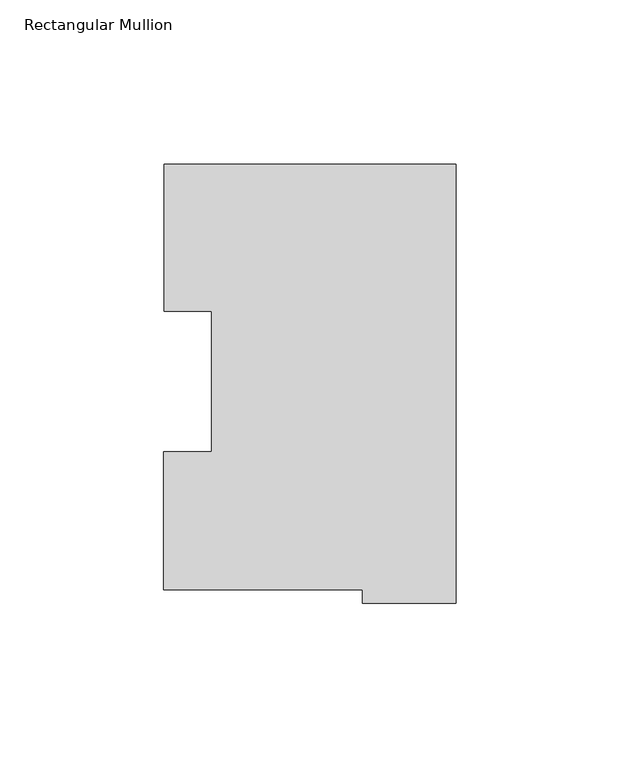
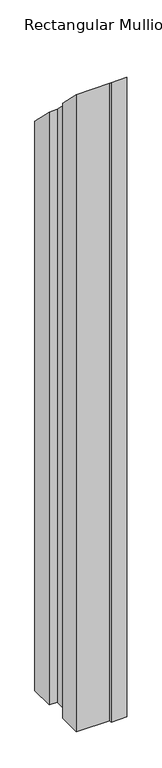
"""IFC4 building model written with IfcOpenShell, lengths in millimetres: member geometry, Rectangular Mullion."""

import ifcopenshell
import ifcopenshell.guid

model = None  # the IFC model being written
_history = None  # IfcOwnerHistory: only IFC2X3 demands one
_inside = {}  # id of a spatial element -> (the spatial element, [elements in it])
_under = {}  # id of a project, library or spatial element -> (it, [spatial elements below it])
_declared = {}  # id of a project -> (the project, [libraries it declares])
_typed = {}  # id of a type object -> (the type object, [elements of that type])
_made_of = {}  # id of a material, layer set ... -> (it, [elements and type objects made of it])


def new_model(schema):
    """Start an empty IFC model of exactly this schema.

    Asked for "IFC4X3", IfcOpenShell would pick the latest addendum, in which some entities
    have other attributes; the version numbers below select the first issue.
    IFC2X3 requires an IfcOwnerHistory on every rooted entity: one is made here for all.
    """
    global model, _history
    if schema == "IFC4X3":
        model = ifcopenshell.file(schema_version=(4, 3, 0, 0))
    else:
        model = ifcopenshell.file(schema=schema)
    _inside.clear()
    _under.clear()
    _declared.clear()
    _typed.clear()
    _made_of.clear()
    _history = None
    if model.schema == "IFC2X3":
        org = make("IfcOrganization", Name="unknown")
        user = make(
            "IfcPersonAndOrganization",
            ThePerson=make("IfcPerson", FamilyName="unknown"),
            TheOrganization=org,
        )
        app = make(
            "IfcApplication",
            ApplicationDeveloper=org,
            Version="unknown",
            ApplicationFullName="unknown",
            ApplicationIdentifier="unknown",
        )
        _history = make(
            "IfcOwnerHistory",
            OwningUser=user,
            OwningApplication=app,
            ChangeAction="ADDED",
            CreationDate=0,
        )
    return model


def make(cls, **values):
    """One entity of the class cls with the attributes given. An attribute that is None is left unset."""
    return model.create_entity(
        cls, **{name: value for name, value in values.items() if value is not None}
    )


def rooted(cls, **values):
    """An entity with a GlobalId (a new one), such as an element, a storey or a relation."""
    return make(cls, GlobalId=ifcopenshell.guid.new(), OwnerHistory=_history, **values)


def si_unit(unit_type, name, prefix=None):
    """IfcSIUnit, for example si_unit("LENGTHUNIT", "METRE", prefix="MILLI")."""
    return make("IfcSIUnit", UnitType=unit_type, Prefix=prefix, Name=name)


def assignment(units):
    """IfcUnitAssignment: the units of a project."""
    return None if units is None else make("IfcUnitAssignment", Units=units)


def point(xyz):
    """IfcCartesianPoint."""
    return None if xyz is None else make("IfcCartesianPoint", Coordinates=xyz)


def direction(xyz):
    """IfcDirection."""
    return None if xyz is None else make("IfcDirection", DirectionRatios=xyz)


def frame(location, z_axis=None, x_axis=None):
    """IfcAxis2Placement3D, a coordinate frame: its origin and axes. An axis left out is left unset."""
    return make(
        "IfcAxis2Placement3D",
        Location=point(location),
        Axis=direction(z_axis),
        RefDirection=direction(x_axis),
    )


def origin():
    """The frame at (0, 0, 0) with its axes left unset."""
    return frame((0.0, 0.0, 0.0))


def place(relative_to, where):
    """IfcLocalPlacement: puts the frame where relative to a parent placement (None: the world)."""
    return make(
        "IfcLocalPlacement", PlacementRelTo=relative_to, RelativePlacement=where
    )


def context(
    kind, dimensions, precision=None, world=None, true_north=None, identifier=None
):
    """IfcGeometricRepresentationContext, for example the 3D "Model" context."""
    return make(
        "IfcGeometricRepresentationContext",
        ContextIdentifier=identifier,
        ContextType=kind,
        CoordinateSpaceDimension=dimensions,
        Precision=precision,
        WorldCoordinateSystem=world,
        TrueNorth=true_north,
    )


def project(units=None, contexts=None):
    """IfcProject with its units and contexts."""
    return rooted(
        "IfcProject",
        Name="project",
        RepresentationContexts=contexts,
        UnitsInContext=assignment(units),
    )


def spatial(cls, under=None, at=None, **own):
    """A site, building, storey or space (cls), placed at a placement, below another one or the project."""
    s = rooted(cls, ObjectPlacement=at, **own)
    if under is not None:
        _under.setdefault(under.id(), (under, []))[1].append(s)
    return s


def faces_of(points, faces, orient=None, outer=None):
    """IfcFace entities. A face is a list of loops; a loop is a list of indices into points, from 0.

    orient and outer hold one flag for each loop. By default every Orientation is true, the
    first loop of a face is its IfcFaceOuterBound and the others are IfcFaceBound.
    """
    made = []
    for i, loops in enumerate(faces):
        bounds = []
        for j, loop in enumerate(loops):
            is_outer = j == 0 if outer is None else outer[i][j]
            bounds.append(
                make(
                    "IfcFaceOuterBound" if is_outer else "IfcFaceBound",
                    Bound=make("IfcPolyLoop", Polygon=[points[k] for k in loop]),
                    Orientation=True if orient is None else orient[i][j],
                )
            )
        made.append(make("IfcFace", Bounds=bounds))
    return made


def faceted_brep(points, faces, orient=None, outer=None, voids=None):
    """IfcFacetedBrep: a solid bounded by flat faces; with voids (closed shells), ...WithVoids."""
    shared = [point(p) for p in points]
    hull = make("IfcClosedShell", CfsFaces=faces_of(shared, faces, orient, outer))
    if voids is None:
        return make("IfcFacetedBrep", Outer=hull)
    return make(
        "IfcFacetedBrepWithVoids",
        Outer=hull,
        Voids=[
            make(cls, CfsFaces=faces_of(shared, fs, o, b)) for cls, fs, o, b in voids
        ],
    )


def shape(context_of_items, identifier, shape_type, items):
    """IfcShapeRepresentation: the items that make up one representation, for example the "Body"."""
    return make(
        "IfcShapeRepresentation",
        ContextOfItems=context_of_items,
        RepresentationIdentifier=identifier,
        RepresentationType=shape_type,
        Items=items,
    )


def source(mapping_origin, context_of_items, identifier, shape_type, items):
    """IfcRepresentationMap: a shape defined once, which mapped items show again and again."""
    return make(
        "IfcRepresentationMap",
        MappingOrigin=mapping_origin,
        MappedRepresentation=shape(context_of_items, identifier, shape_type, items),
    )


def transform(
    local_origin,
    x_axis=None,
    y_axis=None,
    z_axis=None,
    scale=None,
    scale2=None,
    scale3=None,
    uniform=True,
):
    """IfcCartesianTransformationOperator3D, or its non-uniform kind. x_axis, y_axis, z_axis: its Axis1, 2, 3."""
    if uniform:
        return make(
            "IfcCartesianTransformationOperator3D",
            Axis1=direction(x_axis),
            Axis2=direction(y_axis),
            LocalOrigin=point(local_origin),
            Scale=scale,
            Axis3=direction(z_axis),
        )
    return make(
        "IfcCartesianTransformationOperator3DnonUniform",
        Axis1=direction(x_axis),
        Axis2=direction(y_axis),
        LocalOrigin=point(local_origin),
        Scale=scale,
        Axis3=direction(z_axis),
        Scale2=scale2,
        Scale3=scale3,
    )


def mapped(mapping_source, mapping_target):
    """IfcMappedItem: shows the shape of a source again, moved by a transform."""
    return make(
        "IfcMappedItem", MappingSource=mapping_source, MappingTarget=mapping_target
    )


def made_of(thing, what):
    """Note that an element or type object is made of a material, layer set ...; save() writes the relation."""
    if what is not None:
        _made_of.setdefault(what.id(), (what, []))[1].append(thing)
    return thing


def element(
    cls,
    number,
    at=None,
    inside=None,
    cuts=None,
    type_object=None,
    material=None,
    context=None,
    identifier="Body",
    shape_type=None,
    held_by="IfcProductDefinitionShape",
    body=None,
    shapes=None,
    **own,
):
    """One element of the class cls, such as IfcWall. Its Tag is "e" and its number.

    at: its placement. inside: the storey or other place that contains it. cuts: it is an
    opening in that element (IfcRelVoidsElement). A single representation is given by context,
    identifier, shape_type and body (its items); several are given by shapes. held_by: the class
    of the entity that holds the representations. save() writes the other relations.
    """
    e = rooted(cls, Tag="e%d" % number, ObjectPlacement=at, **own)
    if body is not None:
        shapes = [shape(context, identifier, shape_type, body)]
    if shapes is not None:
        e.Representation = make(held_by, Representations=shapes)
    if inside is not None:
        _inside.setdefault(inside.id(), (inside, []))[1].append(e)
    if cuts is not None:
        rooted(
            "IfcRelVoidsElement", RelatingBuildingElement=cuts, RelatedOpeningElement=e
        )
    if type_object is not None:
        _typed.setdefault(type_object.id(), (type_object, []))[1].append(e)
    return made_of(e, material)


def aggregate(whole, parts):
    """IfcRelAggregates: a whole, such as a stair, and the parts it consists of."""
    return rooted("IfcRelAggregates", RelatingObject=whole, RelatedObjects=parts)


def save(model, path):
    """Write the relations noted so far, then the file.

    IfcRelAggregates (storeys below a building ...), IfcRelContainedInSpatialStructure (elements
    in a storey), IfcRelDefinesByType, IfcRelAssociatesMaterial and IfcRelDeclares: one each for
    every whole, place, type object, material and project.
    """
    for whole, parts in _under.values():
        aggregate(whole, parts)
    for where, things in _inside.values():
        rooted(
            "IfcRelContainedInSpatialStructure",
            RelatedElements=things,
            RelatingStructure=where,
        )
    for kind, things in _typed.values():
        rooted("IfcRelDefinesByType", RelatedObjects=things, RelatingType=kind)
    for what, things in _made_of.values():
        rooted("IfcRelAssociatesMaterial", RelatedObjects=things, RelatingMaterial=what)
    for by, libraries in _declared.values():
        rooted("IfcRelDeclares", RelatingContext=by, RelatedDefinitions=libraries)
    model.write(path)


def rectangular_mullion_648f4e4d(model_context):
    return source(origin(), model_context, "Body", "Brep", [
        faceted_brep([(-28.56992, 0.2428875, -1219.1976187), (-89.1408142, 0.2428875, -1219.1976187), (-89.1408142, 42.2798875, -1219.1976187), (-74.6252, 42.2798875, -1219.1976187), (-74.6252, 85.1296875, -1219.1976187), (-88.99652, 85.1296875, -1219.1976187), (-88.99652, 130.0368875, -1219.1976187), (0.0, 130.0368875, -1219.1976187), (0.0, -3.9735125, -1219.1976187), (-28.56992, -3.9735125, -1219.1976187), (-28.56992, -3.9735125, 3.9735125), (-28.56992, 0.2428875, -0.2428875), (0.0, -3.9735125, 3.9735125), (0.0, 130.0368875, -130.0368875), (-88.99652, 130.0368875, -130.0368875), (-88.99652, 85.1296875, -85.1296875), (-74.6252, 85.1296875, -85.1296875), (-74.6252, 42.2798875, -42.2798875), (-89.1408142, 42.2798875, -42.2798875), (-89.1408142, 0.2428875, -0.2428875)], [[[0, 1, 2, 3, 4, 5, 6, 7, 8, 9]], [[10, 11, 0, 9]], [[12, 10, 9, 8]], [[13, 12, 8, 7]], [[14, 13, 7, 6]], [[15, 14, 6, 5]], [[16, 15, 5, 4]], [[17, 16, 4, 3]], [[18, 17, 3, 2]], [[19, 18, 2, 1]], [[11, 19, 1, 0]], [[11, 10, 12, 13, 14, 15, 16, 17, 18, 19]]]),
    ])


if __name__ == "__main__":
    model = new_model("IFC4")
    model_context = context("Model", 3, world=origin())
    ifc_project = project(units=[si_unit("LENGTHUNIT", "METRE", prefix="MILLI")], contexts=[model_context])
    site = spatial("IfcSite", under=ifc_project)
    building = spatial("IfcBuilding", under=site)
    placement = place(None, origin())
    rectangular_mullion_shape = rectangular_mullion_648f4e4d(model_context)
    element("IfcMember", 1, ObjectType="Rectangular Mullion", at=placement, inside=building, context=model_context, shape_type="MappedRepresentation", body=[
        mapped(rectangular_mullion_shape, transform((0.0, 0.0, 0.0), x_axis=(1.0, 0.0, 0.0), y_axis=(0.0, 1.0, 0.0), z_axis=(0.0, 0.0, 1.0))),
    ])
    save(model, "model.ifc")
